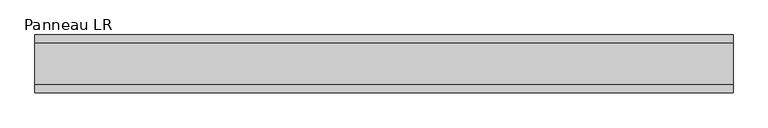
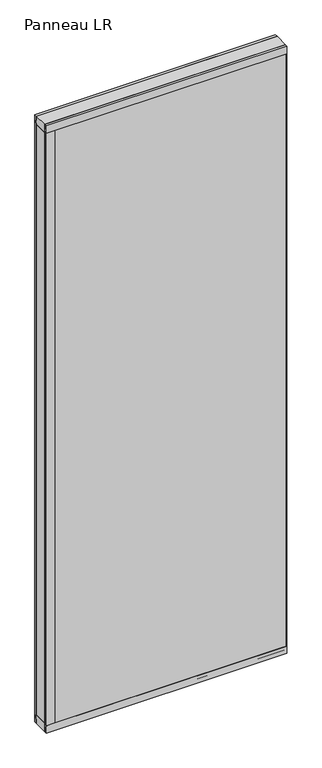
"""IFC4 building model written with IfcOpenShell, lengths in millimetres: plate geometry, Panneau LR."""

from ifc_helpers import new_model, si_unit, frame, origin, origin_with_axes, place, context, project, spatial, polyline, outline, extrude, source, transform, mapped, element, save


def panneau_lr_84bf3bb4(model_context):
    return source(origin(), model_context, "Body", "SweptSolid", [
        extrude(outline(polyline([(33.0, 2910.0), (45.0, 2910.0), (45.0, 2875.0), (43.8, 2875.0), (43.8, 2890.0), (33.0, 2890.0), (33.0, 2910.0)])), frame((-545.3125001, 0.0, 0.0), z_axis=(1.0, 0.0, 0.0), x_axis=(0.0, 1.0, 0.0)), (0.0, 0.0, 1.0), 1090.6250002),
        extrude(outline(polyline([(-45.0, 2875.0), (-45.0, 2910.0), (-33.0, 2910.0), (-33.0, 2890.0), (-43.8, 2890.0), (-43.8, 2875.0), (-45.0, 2875.0)])), frame((-545.3125001, 0.0, 0.0), z_axis=(1.0, 0.0, 0.0), x_axis=(0.0, 1.0, 0.0)), (0.0, 0.0, 1.0), 1090.6250002),
        extrude(outline(polyline([(-505.3125001, 33.0), (-505.3125001, -33.0), (-545.3125001, -33.0), (-545.3125001, 33.0), (-505.3125001, 33.0)])), frame((0.0, 0.0, 40.0), z_axis=(0.0, 0.0, 1.0), x_axis=(1.0, 0.0, 0.0)), (0.0, 0.0, 1.0), 2830.0),
        extrude(outline(polyline([(545.3125001, 43.8), (545.3125001, 37.8), (543.3125001, 37.8), (543.3125001, 43.8), (545.3125001, 43.8)])), frame((0.0, 0.0, 20.0), z_axis=(0.0, 0.0, 1.0), x_axis=(1.0, 0.0, 0.0)), (0.0, 0.0, 1.0), 2870.0),
        extrude(outline(polyline([(545.3125001, -37.8), (545.3125001, -43.8), (543.3125001, -43.8), (543.3125001, -37.8), (545.3125001, -37.8)])), frame((0.0, 0.0, 20.0), z_axis=(0.0, 0.0, 1.0), x_axis=(1.0, 0.0, 0.0)), (0.0, 0.0, 1.0), 2870.0),
        extrude(outline(polyline([(-545.3125001, 45.0), (-506.7125001, 45.0), (-506.7125001, 43.8), (-521.7125001, 43.8), (-521.7125001, 33.0), (-545.3125001, 33.0), (-545.3125001, 45.0)])), frame((0.0, 0.0, 35.0), z_axis=(0.0, 0.0, 1.0), x_axis=(1.0, 0.0, 0.0)), (0.0, 0.0, 1.0), 2840.0),
        extrude(outline(polyline([(-545.3125001, -45.0), (-545.3125001, -33.0), (-521.7125001, -33.0), (-521.7125001, -43.8), (-506.7125001, -43.8), (-506.7125001, -45.0), (-545.3125001, -45.0)])), frame((0.0, 0.0, 35.0), z_axis=(0.0, 0.0, 1.0), x_axis=(1.0, 0.0, 0.0)), (0.0, 0.0, 1.0), 2840.0),
        extrude(outline(polyline([(33.0, 0.0), (33.0, 20.0), (43.8, 20.0), (43.8, 35.0), (45.0, 35.0), (45.0, 0.0), (33.0, 0.0)])), frame((-545.3125001, 0.0, 0.0), z_axis=(1.0, 0.0, 0.0), x_axis=(0.0, 1.0, 0.0)), (0.0, 0.0, 1.0), 1090.6250002),
        extrude(outline(polyline([(-45.0, 35.0), (-43.8, 35.0), (-43.8, 20.0), (-33.0, 20.0), (-33.0, 0.0), (-45.0, 0.0), (-45.0, 35.0)])), frame((-545.3125001, 0.0, 0.0), z_axis=(1.0, 0.0, 0.0), x_axis=(0.0, 1.0, 0.0)), (0.0, 0.0, 1.0), 1090.6250002),
        extrude(outline(polyline([(545.3125001, -33.0), (-545.3125001, -33.0), (-545.3125001, 33.0), (545.3125001, 33.0), (545.3125001, -33.0)])), frame((0.0, 0.0, 2870.0), z_axis=(0.0, 0.0, 1.0), x_axis=(1.0, 0.0, 0.0)), (0.0, 0.0, 1.0), 40.0),
        extrude(outline(polyline([(545.3125001, -33.0), (-545.3125001, -33.0), (-545.3125001, 33.0), (545.3125001, 33.0), (545.3125001, -33.0)])), origin_with_axes(), (0.0, 0.0, 1.0), 40.0),
        extrude(outline(polyline([(543.3125001, 37.8), (-537.3125001, 37.8), (-537.3125001, 43.8), (543.3125001, 43.8), (543.3125001, 37.8)])), frame((0.0, 0.0, 20.0), z_axis=(0.0, 0.0, 1.0), x_axis=(1.0, 0.0, 0.0)), (0.0, 0.0, 1.0), 2870.0),
        extrude(outline(polyline([(-537.3125001, -43.8), (-537.3125001, -37.8), (543.3125001, -37.8), (543.3125001, -43.8), (-537.3125001, -43.8)])), frame((0.0, 0.0, 20.0), z_axis=(0.0, 0.0, 1.0), x_axis=(1.0, 0.0, 0.0)), (0.0, 0.0, 1.0), 2870.0),
    ])


if __name__ == "__main__":
    model = new_model("IFC4")
    model_context = context("Model", 3, world=origin())
    ifc_project = project(units=[si_unit("LENGTHUNIT", "METRE", prefix="MILLI")], contexts=[model_context])
    site = spatial("IfcSite", under=ifc_project)
    building = spatial("IfcBuilding", under=site)
    placement = place(None, origin())
    panneau_lr_shape = panneau_lr_84bf3bb4(model_context)
    element("IfcPlate", 1, ObjectType="Panneau LR", at=placement, inside=building, context=model_context, shape_type="MappedRepresentation", body=[
        mapped(panneau_lr_shape, transform((0.0, 0.0, 0.0), x_axis=(1.0, 0.0, 0.0), y_axis=(0.0, 1.0, 0.0), z_axis=(0.0, 0.0, 1.0))),
    ])
    save(model, "model.ifc")
